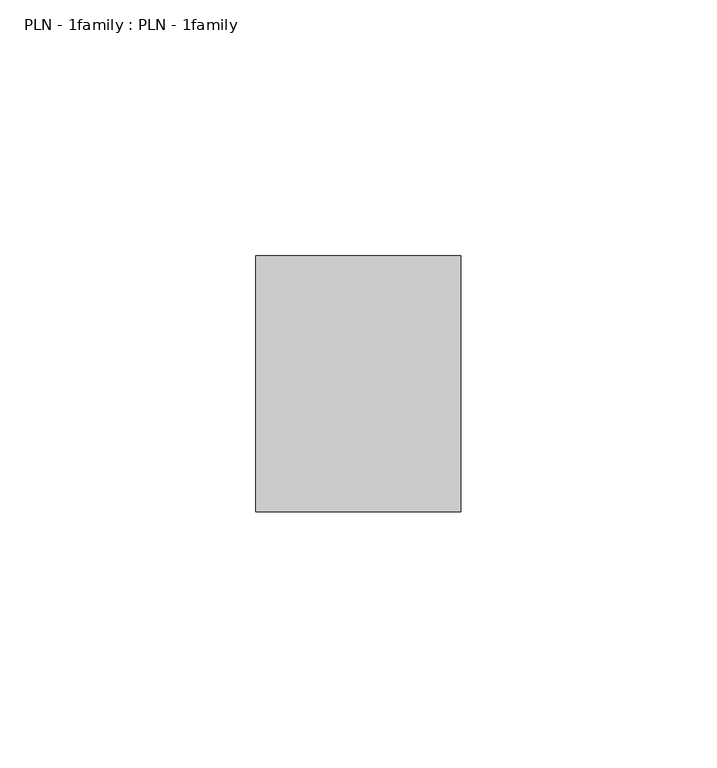
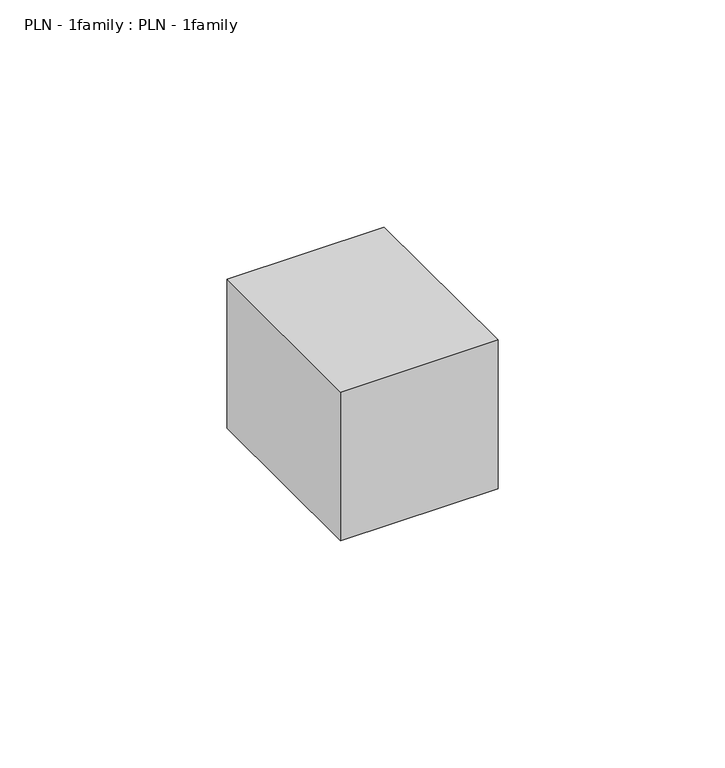
"""IFC4 building model written with IfcOpenShell, lengths in millimetres: proxy geometry, PLN - 1family : PLN - 1family."""

from ifc_helpers import new_model, si_unit, origin, origin_with_axes, place, context, project, spatial, polyline, outline, extrude, source, transform, mapped, element, save


def pln_1family_pln_1family_07c4befe(model_context):
    return source(origin(), model_context, "Body", "SweptSolid", [
        extrude(outline(polyline([(0.0, -50.0), (0.0, 0.0), (40.0, 0.0), (40.0, -50.0), (0.0, -50.0)])), origin_with_axes(), (0.0, 0.0, 1.0), 40.0),
    ])


if __name__ == "__main__":
    model = new_model("IFC4")
    model_context = context("Model", 3, world=origin())
    ifc_project = project(units=[si_unit("LENGTHUNIT", "METRE", prefix="MILLI")], contexts=[model_context])
    site = spatial("IfcSite", under=ifc_project)
    building = spatial("IfcBuilding", under=site)
    placement = place(None, origin())
    pln_1family_pln_1family_shape = pln_1family_pln_1family_07c4befe(model_context)
    element("IfcBuildingElementProxy", 1, Name="PLN - 1family : PLN - 1family", ObjectType="PLN - 1family : PLN - 1family", at=placement, inside=building, context=model_context, shape_type="MappedRepresentation", body=[
        mapped(pln_1family_pln_1family_shape, transform((0.0, 0.0, 0.0), x_axis=(1.0, 0.0, 0.0), y_axis=(0.0, 1.0, 0.0), z_axis=(0.0, 0.0, 1.0))),
    ])
    save(model, "model.ifc")
